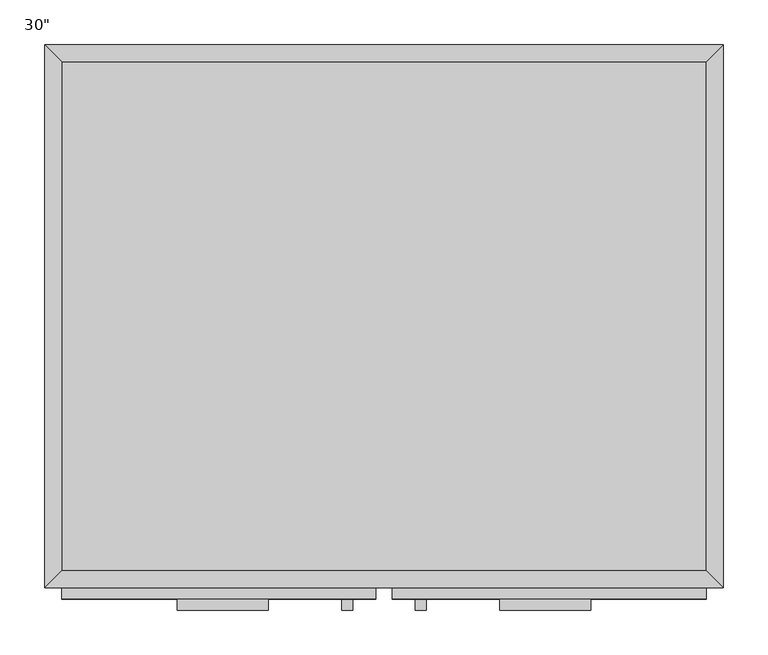
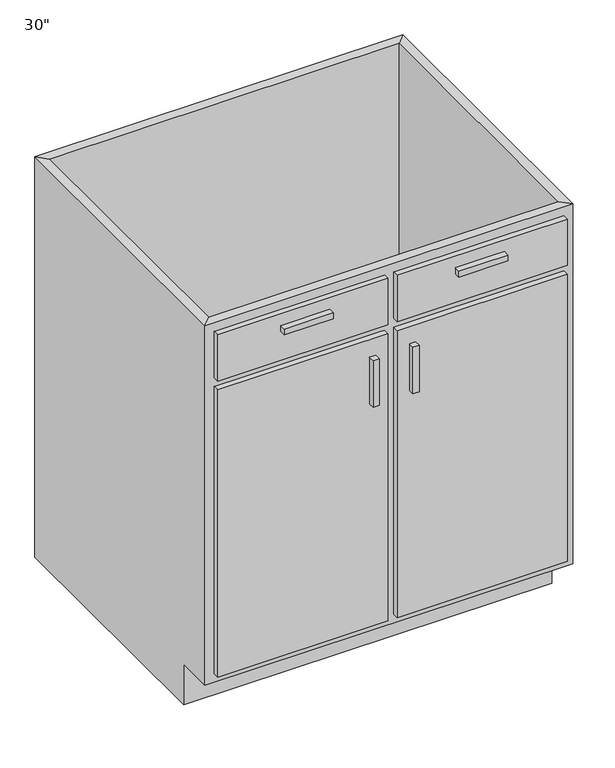
"""IFC4 building model written with IfcOpenShell, lengths in millimetres: furniture geometry."""

from ifc_helpers import new_model, si_unit, frame, origin, place, context, project, spatial, polyline, outline, extrude, faceted_brep, source, transform, mapped, element, save


def furniture_338da5bd(model_context):
    return source(origin(), model_context, "Body", "SolidModel", [
        faceted_brep([(380.6877049, -590.55, 876.3), (380.6877049, -590.55, 88.9), (-343.2122951, -590.55, 88.9), (-343.2122951, -590.55, 876.3), (-362.2622951, -609.6, 876.3), (399.7377049, -609.6, 876.3), (-362.2622951, -609.6, 88.9), (399.7377049, -609.6, 88.9), (-343.2122951, -533.4, 88.9), (-343.2122951, -19.05, 88.9), (-343.2122951, -19.05, 876.3), (-362.2622951, 0.0, 876.3), (-362.2622951, 0.0, 0.0), (-362.2622951, -533.4, 0.0), (-362.2622951, -533.4, 88.9), (380.6877049, -19.05, 88.9), (380.6877049, -19.05, 876.3), (399.7377049, 0.0, 876.3), (399.7377049, 0.0, 0.0), (380.6877049, -533.4, 88.9), (399.7377049, -533.4, 88.9), (399.7377049, -533.4, 0.0)], [[[0, 1, 2, 3]], [[0, 3, 4, 5]], [[5, 4, 6, 7]], [[2, 1, 7, 6]], [[3, 2, 8, 9, 10]], [[4, 3, 10, 11]], [[6, 4, 11, 12, 13, 14]], [[2, 6, 14, 8]], [[10, 9, 15, 16]], [[11, 10, 16, 17]], [[12, 11, 17, 18]], [[1, 0, 16, 15, 19]], [[0, 5, 17, 16]], [[5, 7, 20, 21, 18, 17]], [[7, 1, 19, 20]], [[8, 19, 15, 9]], [[18, 21, 13, 12]], [[13, 21, 20, 19, 8, 14]]]),
        extrude(outline(polyline([(-111.4372951, -635.0), (-213.0372951, -635.0), (-213.0372951, -622.3), (-111.4372951, -622.3), (-111.4372951, -635.0)])), frame((0.0, 0.0, 819.15), z_axis=(0.0, 0.0, 1.0), x_axis=(1.0, 0.0, 0.0)), (0.0, 0.0, 1.0), 12.7),
        extrude(outline(polyline([(250.5127049, -635.0), (148.9127049, -635.0), (148.9127049, -622.3), (250.5127049, -622.3), (250.5127049, -635.0)])), frame((0.0, 0.0, 819.15), z_axis=(0.0, 0.0, 1.0), x_axis=(1.0, 0.0, 0.0)), (0.0, 0.0, 1.0), 12.7),
        extrude(outline(polyline([(-16.1872951, -635.0), (-28.8872951, -635.0), (-28.8872951, -622.3), (-16.1872951, -622.3), (-16.1872951, -635.0)])), frame((0.0, 0.0, 596.9), z_axis=(0.0, 0.0, 1.0), x_axis=(1.0, 0.0, 0.0)), (0.0, 0.0, 1.0), 101.6),
        extrude(outline(polyline([(66.3627049, -635.0), (53.6627049, -635.0), (53.6627049, -622.3), (66.3627049, -622.3), (66.3627049, -635.0)])), frame((0.0, 0.0, 596.9), z_axis=(0.0, 0.0, 1.0), x_axis=(1.0, 0.0, 0.0)), (0.0, 0.0, 1.0), 101.6),
        extrude(outline(polyline([(380.6877049, -19.05), (380.6877049, -590.55), (-343.2122951, -590.55), (-343.2122951, -19.05), (380.6877049, -19.05)])), frame((0.0, 0.0, 88.9), z_axis=(0.0, 0.0, 1.0), x_axis=(1.0, 0.0, 0.0)), (0.0, 0.0, 1.0), 19.05),
        extrude(outline(polyline([(9.2127049, -622.3), (-343.2122951, -622.3), (-343.2122951, -609.6), (9.2127049, -609.6), (9.2127049, -622.3)])), frame((0.0, 0.0, 755.65), z_axis=(0.0, 0.0, 1.0), x_axis=(1.0, 0.0, 0.0)), (0.0, 0.0, 1.0), 101.6),
        extrude(outline(polyline([(380.6877049, -622.3), (28.2627049, -622.3), (28.2627049, -609.6), (380.6877049, -609.6), (380.6877049, -622.3)])), frame((0.0, 0.0, 755.65), z_axis=(0.0, 0.0, 1.0), x_axis=(1.0, 0.0, 0.0)), (0.0, 0.0, 1.0), 101.6),
        extrude(outline(polyline([(9.2127049, -622.3), (-343.2122951, -622.3), (-343.2122951, -609.6), (9.2127049, -609.6), (9.2127049, -622.3)])), frame((0.0, 0.0, 107.95), z_axis=(0.0, 0.0, 1.0), x_axis=(1.0, 0.0, 0.0)), (0.0, 0.0, 1.0), 628.65),
        extrude(outline(polyline([(380.6877049, -622.3), (28.2627049, -622.3), (28.2627049, -609.6), (380.6877049, -609.6), (380.6877049, -622.3)])), frame((0.0, 0.0, 107.95), z_axis=(0.0, 0.0, 1.0), x_axis=(1.0, 0.0, 0.0)), (0.0, 0.0, 1.0), 628.65),
    ])


if __name__ == "__main__":
    model = new_model("IFC4")
    model_context = context("Model", 3, world=origin())
    ifc_project = project(units=[si_unit("LENGTHUNIT", "METRE", prefix="MILLI")], contexts=[model_context])
    site = spatial("IfcSite", under=ifc_project)
    building = spatial("IfcBuilding", under=site)
    placement = place(None, origin())
    furniture_shape = furniture_338da5bd(model_context)
    element("IfcFurniture", 1, ObjectType="30\"", at=placement, inside=building, context=model_context, shape_type="MappedRepresentation", body=[
        mapped(furniture_shape, transform((0.0, 0.0, 0.0), x_axis=(1.0, 0.0, 0.0), y_axis=(0.0, 1.0, 0.0), z_axis=(0.0, 0.0, 1.0))),
    ])
    save(model, "model.ifc")
